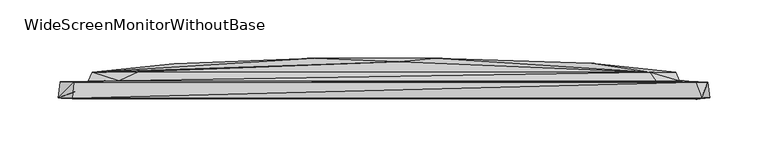
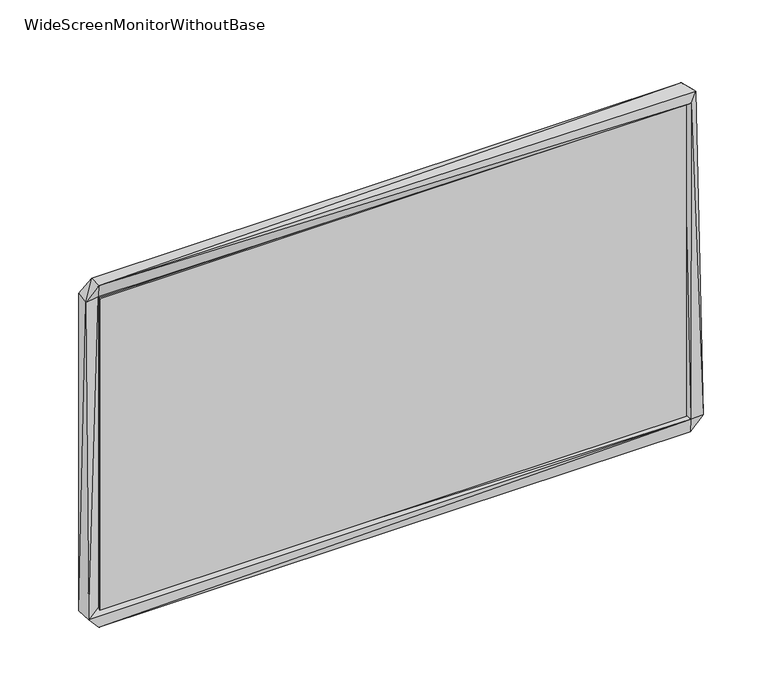
"""IFC4 building model written with IfcOpenShell, lengths in millimetres: furniture geometry, WideScreenMonitorWithoutBase."""

from ifc_helpers import new_model, si_unit, origin, place, context, project, spatial, triangles, source, transform, mapped, element, save


def widescreenmonitorwithoutbase_6287a7fb(model_context):
    return source(origin(), model_context, "Body", "Tessellation", [
        triangles([(265.4945867, 0.6066815, 15.0040158), (265.4945867, 0.6066815, 313.3186661), (265.4945867, -0.6933185, 15.0040158), (265.4945867, -0.6933185, 313.3186661), (-265.4987288, -0.6933481, 313.3186661), (-265.4987288, 0.6066519, 313.3186661), (-265.4987288, 0.6066519, 15.0040158), (-265.4987288, -0.6933481, 15.0040158)], [[1, 2, 3], [3, 2, 4], [5, 4, 2], [5, 2, 6], [7, 1, 3], [7, 3, 8], [7, 6, 1], [7, 8, 5], [7, 5, 6], [8, 3, 4], [8, 4, 5], [1, 6, 2]]),
        triangles([(-278.0874045, 10.7199841, 12.0094062), (-253.7874342, 11.6199859, 41.187148), (-267.7874336, 10.5199849, 2.2094066), (-253.88741, 11.6199859, 289.3536136), (-277.9874288, 10.9199832, 315.6313519), (-276.9874353, -3.0800153, 11.6094067), (-279.7874279, -2.8800156, 315.9313336), (-268.0874153, -3.2800147, 1.4094068), (267.5831401, -3.6799849, 13.2094067), (-265.1874106, 2.7199852, 15.6094056), (-265.3874166, 2.2199855, 313.3313833), (267.7831279, -2.7799848, 0.5094067), (268.0831278, 11.0200146, 2.5094066), (-238.482391, 11.619987, 22.9094074), (265.1831594, 2.7200145, 15.6094056), (265.1831594, 2.7200145, 313.1313592), (239.2780728, 11.6200132, 23.7094063), (-162.272308, 20.3199897, 24.909408), (-246.4874256, 18.9199877, 38.1871495), (-38.8571985, 27.4199992, 72.6871512), (226.7780727, 19.120013, 25.3094063), (43.9528858, 31.2200012, 157.7203875), (250.0831545, 19.2200137, 46.3871531), (178.1730271, 26.7200101, 173.0203802), (253.6831528, 11.7200139, 282.4536351), (278.0831533, 10.920015, 13.109406), (267.8831582, -4.0799849, 315.9313336), (279.7831222, -2.8799844, 12.6094059), (278.0831533, 10.7200159, 316.7313575), (272.7831316, -2.6799847, 324.4313599), (-250.3874238, 19.119988, 283.1536287), (-180.1773379, 26.6199912, 156.520388), (-59.6622286, 31.0199952, 172.8203924), (250.3831362, 19.3200121, 275.3536142), (13.2478571, 28.320001, 251.3758627), (228.4780779, 19.120013, 301.9313524), (-210.9823799, 19.5199886, 302.7313581), (-227.682378, 11.7199866, 305.7313385), (233.6780876, 11.7200127, 305.8313324), (267.5831401, 10.7200147, 326.4313468), (-267.6874034, -2.9800149, 327.9313279), (-266.4874221, 10.6199845, 326.4313468)], [[1, 2, 3], [1, 4, 2], [1, 5, 4], [1, 3, 6], [1, 6, 7], [1, 7, 5], [6, 3, 8], [6, 8, 9], [6, 10, 11], [6, 11, 7], [6, 9, 10], [8, 3, 12], [8, 12, 9], [3, 13, 12], [3, 14, 13], [3, 2, 14], [10, 15, 16], [10, 16, 11], [10, 9, 15], [14, 17, 13], [14, 18, 17], [14, 2, 19], [14, 19, 18], [18, 19, 20], [18, 20, 21], [18, 21, 17], [21, 20, 22], [21, 23, 17], [21, 22, 24], [21, 24, 23], [17, 23, 25], [17, 26, 13], [17, 25, 26], [15, 9, 16], [9, 27, 16], [9, 12, 28], [9, 28, 27], [12, 13, 28], [13, 26, 28], [26, 25, 29], [26, 29, 28], [28, 29, 30], [28, 30, 27], [2, 4, 19], [19, 4, 31], [19, 32, 20], [19, 31, 32], [20, 32, 33], [20, 33, 22], [23, 34, 25], [23, 24, 34], [32, 31, 33], [33, 35, 22], [33, 31, 35], [22, 35, 36], [22, 36, 24], [24, 36, 34], [35, 31, 37], [35, 37, 36], [4, 5, 38], [4, 38, 31], [31, 38, 37], [34, 36, 25], [25, 39, 40], [25, 40, 29], [25, 36, 39], [7, 41, 42], [7, 42, 5], [7, 11, 41], [5, 42, 38], [41, 30, 40], [41, 11, 27], [41, 27, 30], [41, 40, 42], [42, 40, 38], [11, 16, 27], [38, 40, 39], [38, 36, 37], [38, 39, 36], [40, 30, 29]]),
    ])


if __name__ == "__main__":
    model = new_model("IFC4")
    model_context = context("Model", 3, world=origin())
    ifc_project = project(units=[si_unit("LENGTHUNIT", "METRE", prefix="MILLI")], contexts=[model_context])
    site = spatial("IfcSite", under=ifc_project)
    building = spatial("IfcBuilding", under=site)
    placement = place(None, origin())
    widescreenmonitorwithoutbase_shape = widescreenmonitorwithoutbase_6287a7fb(model_context)
    element("IfcFurniture", 1, ObjectType="WideScreenMonitorWithoutBase", at=placement, inside=building, context=model_context, shape_type="MappedRepresentation", body=[
        mapped(widescreenmonitorwithoutbase_shape, transform((0.0, 0.0, 0.0), x_axis=(1.0, 0.0, 0.0), y_axis=(0.0, 1.0, 0.0), z_axis=(0.0, 0.0, 1.0))),
    ])
    save(model, "model.ifc")
